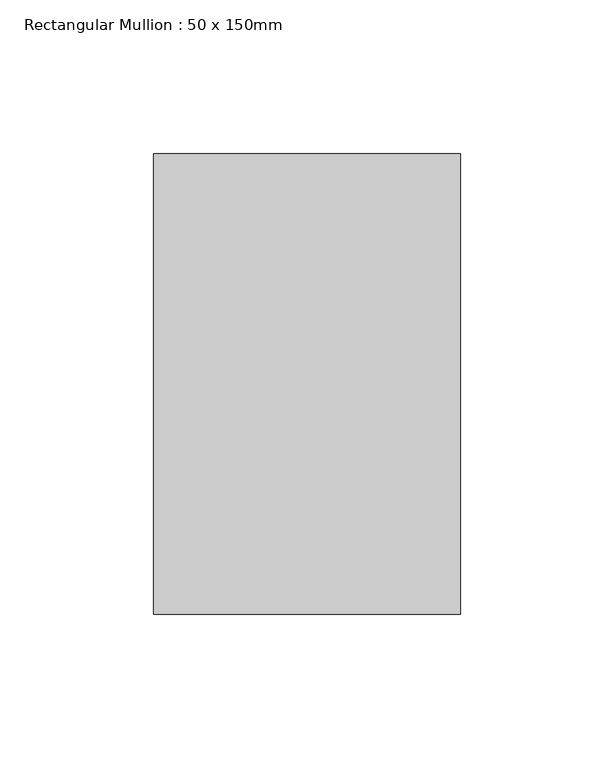
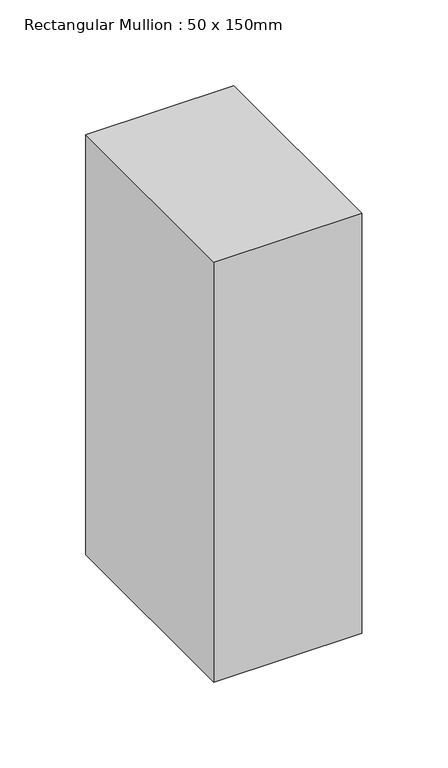
"""IFC4 building model written with IfcOpenShell, lengths in millimetres: member geometry, Rectangular Mullion : 50 x 150mm."""

from ifc_helpers import new_model, si_unit, frame, origin, place, context, project, spatial, polyline, outline, extrude, source, transform, mapped, element, save


def rectangular_mullion_50_x_150mm_57fe4973(model_context):
    return source(origin(), model_context, "Body", "SweptSolid", [
        extrude(outline(polyline([(0.0, 75.0), (0.0, -75.0), (-100.0, -75.0), (-100.0, 75.0), (0.0, 75.0)])), frame((0.0, 0.0, -300.0), z_axis=(0.0, 0.0, 1.0), x_axis=(1.0, 0.0, 0.0)), (0.0, 0.0, 1.0), 300.0),
    ])


if __name__ == "__main__":
    model = new_model("IFC4")
    model_context = context("Model", 3, world=origin())
    ifc_project = project(units=[si_unit("LENGTHUNIT", "METRE", prefix="MILLI")], contexts=[model_context])
    site = spatial("IfcSite", under=ifc_project)
    building = spatial("IfcBuilding", under=site)
    placement = place(None, origin())
    rectangular_mullion_50_x_150mm_shape = rectangular_mullion_50_x_150mm_57fe4973(model_context)
    element("IfcMember", 1, ObjectType="Rectangular Mullion : 50 x 150mm", at=placement, inside=building, context=model_context, shape_type="MappedRepresentation", body=[
        mapped(rectangular_mullion_50_x_150mm_shape, transform((0.0, 0.0, 0.0), x_axis=(1.0, 0.0, 0.0), y_axis=(0.0, 1.0, 0.0), z_axis=(0.0, 0.0, 1.0))),
    ])
    save(model, "model.ifc")
